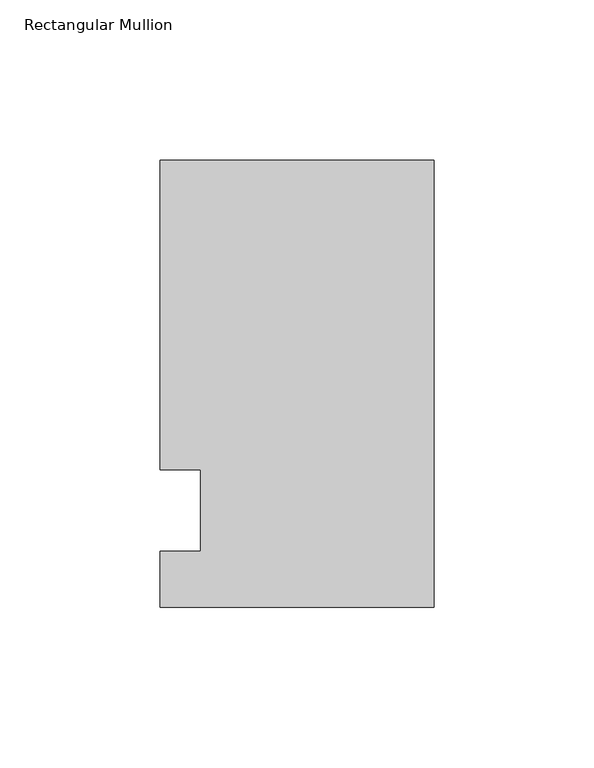
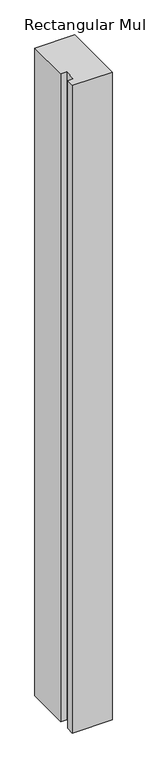
"""IFC4 building model written with IfcOpenShell, lengths in millimetres: member geometry, Rectangular Mullion."""

from ifc_helpers import new_model, si_unit, frame, origin, place, context, project, spatial, polyline, outline, extrude, source, transform, mapped, element, save


def rectangular_mullion_e99587f7(model_context):
    return source(origin(), model_context, "Body", "SweptSolid", [
        extrude(outline(polyline([(-85.725, 109.5375), (0.0, 109.5375), (0.0, -30.1625), (-85.725, -30.1625), (-85.725, -12.7), (-73.0232296, -12.7), (-73.0232296, 12.7), (-85.725, 12.7), (-85.725, 109.5375)])), frame((0.0, 0.0, -1478.28), z_axis=(0.0, 0.0, 1.0), x_axis=(1.0, 0.0, 0.0)), (0.0, 0.0, 1.0), 1478.28),
    ])


if __name__ == "__main__":
    model = new_model("IFC4")
    model_context = context("Model", 3, world=origin())
    ifc_project = project(units=[si_unit("LENGTHUNIT", "METRE", prefix="MILLI")], contexts=[model_context])
    site = spatial("IfcSite", under=ifc_project)
    building = spatial("IfcBuilding", under=site)
    placement = place(None, origin())
    rectangular_mullion_shape = rectangular_mullion_e99587f7(model_context)
    element("IfcMember", 1, ObjectType="Rectangular Mullion", at=placement, inside=building, context=model_context, shape_type="MappedRepresentation", body=[
        mapped(rectangular_mullion_shape, transform((0.0, 0.0, 0.0), x_axis=(1.0, 0.0, 0.0), y_axis=(0.0, 1.0, 0.0), z_axis=(0.0, 0.0, 1.0))),
    ])
    save(model, "model.ifc")
